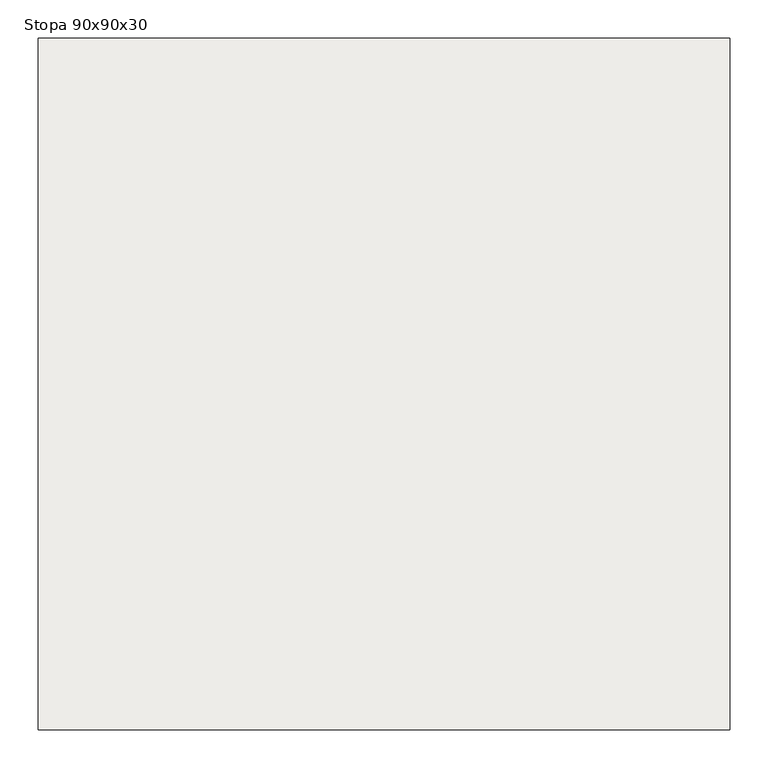
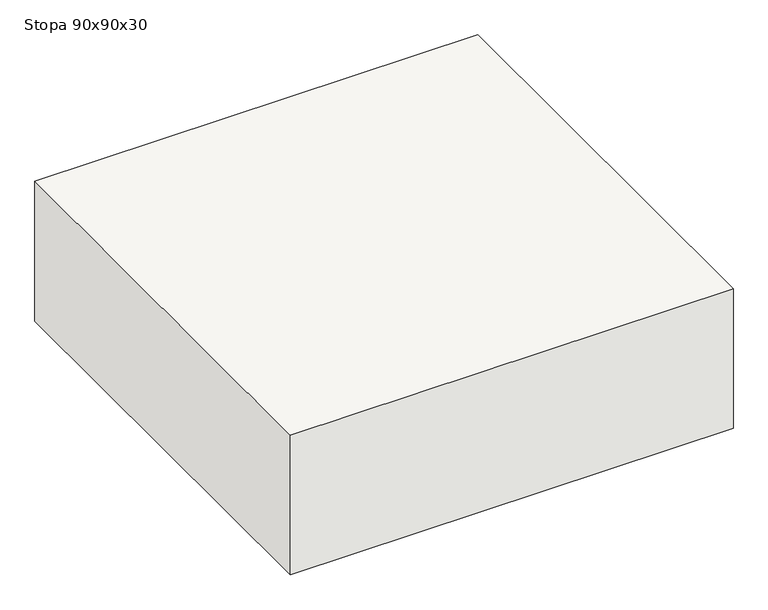
"""IFC4 building model written with IfcOpenShell, lengths in millimetres: slab geometry, Stopa 90x90x30."""

from ifc_helpers import new_model, si_unit, frame, origin, place, context, project, spatial, polyline, outline, extrude, source, transform, mapped, element, save


def stopa_90x90x30_c17b2515(model_context):
    return source(origin(), model_context, "Body", "SweptSolid", [
        extrude(outline(polyline([(450.0, 450.0), (450.0, -450.0), (-450.0, -450.0), (-450.0, 450.0), (450.0, 450.0)])), frame((0.0, 0.0, -300.0), z_axis=(0.0, 0.0, 1.0), x_axis=(1.0, 0.0, 0.0)), (0.0, 0.0, 1.0), 300.0),
    ])


if __name__ == "__main__":
    model = new_model("IFC4")
    model_context = context("Model", 3, world=origin())
    ifc_project = project(units=[si_unit("LENGTHUNIT", "METRE", prefix="MILLI")], contexts=[model_context])
    site = spatial("IfcSite", under=ifc_project)
    building = spatial("IfcBuilding", under=site)
    placement = place(None, origin())
    stopa_90x90x30_shape = stopa_90x90x30_c17b2515(model_context)
    element("IfcSlab", 1, ObjectType="Stopa 90x90x30", at=placement, inside=building, context=model_context, shape_type="MappedRepresentation", body=[
        mapped(stopa_90x90x30_shape, transform((0.0, 0.0, 0.0), x_axis=(1.0, 0.0, 0.0), y_axis=(0.0, 1.0, 0.0), z_axis=(0.0, 0.0, 1.0))),
    ])
    save(model, "model.ifc")
